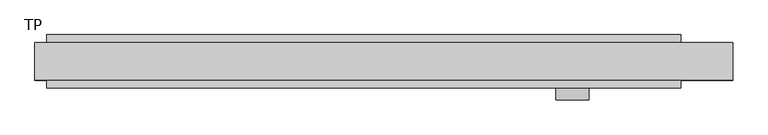
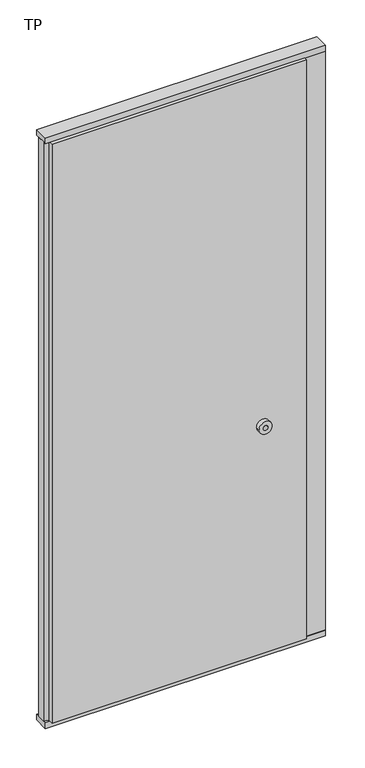
"""IFC4 building model written with IfcOpenShell, lengths in millimetres: plate geometry, TP."""

from ifc_helpers import new_model, si_unit, point, frame, frame_2d, origin, origin_with_axes, place, context, project, spatial, polyline, circle_curve, trimmed, segment, composite_curve, outline, extrude, source, transform, mapped, element, save


def tp_7778a24f(model_context):
    return source(origin(), model_context, "Body", "SweptSolid", [
        extrude(outline(polyline([(502.0507813, 45.0), (502.0507813, 30.5), (590.0, 30.5), (590.0, -30.5), (502.0507813, -30.5), (502.0507813, -45.0), (-570.0, -45.0), (-570.0, -22.9993165), (-590.0, -17.6401049), (-590.0, 17.6401049), (-570.0, 22.9993165), (-570.0, 45.0), (502.0507813, 45.0)])), frame((0.0, 0.0, 25.0), z_axis=(0.0, 0.0, 1.0), x_axis=(1.0, 0.0, 0.0)), (0.0, 0.0, 1.0), 2577.0),
        extrude(outline(polyline([(-590.0, -32.0), (-590.0, 32.0), (590.0, 32.0), (590.0, -32.0), (-590.0, -32.0)])), origin_with_axes(), (0.0, 0.0, 1.0), 25.0),
        extrude(outline(polyline([(-590.0, -32.0), (-590.0, 32.0), (590.0, 32.0), (590.0, -32.0), (-590.0, -32.0)])), frame((0.0, 0.0, 2602.0), z_axis=(0.0, 0.0, 1.0), x_axis=(1.0, 0.0, 0.0)), (0.0, 0.0, 1.0), 25.0),
        extrude(outline(composite_curve([segment(trimmed(circle_curve(frame_2d((1040.0, 318.9738813)), 27.5), [point((1040.0, 346.4738813))], [point((1040.0, 291.4738813))], False, "CARTESIAN"), True, "CONTINUOUS"), segment(trimmed(circle_curve(frame_2d((1040.0, 318.9738813)), 27.5), [point((1040.0, 291.4738813))], [point((1040.0, 346.4738813))], False, "CARTESIAN"), True, "CONTINUOUS")], self_intersect=False), holes=[composite_curve([segment(trimmed(circle_curve(frame_2d((1040.0, 318.9738813)), 10.0), [point((1040.0, 328.9738813))], [point((1040.0, 308.9738813))], True, "CARTESIAN"), True, "CONTINUOUS"), segment(trimmed(circle_curve(frame_2d((1040.0, 318.9738813)), 10.0), [point((1040.0, 308.9738813))], [point((1040.0, 328.9738813))], True, "CARTESIAN"), True, "CONTINUOUS")], self_intersect=False)]), frame((0.0, -65.0, 0.0), z_axis=(0.0, 1.0, 0.0), x_axis=(0.0, 0.0, 1.0)), (0.0, 0.0, 1.0), 20.0),
    ])


if __name__ == "__main__":
    model = new_model("IFC4")
    model_context = context("Model", 3, world=origin())
    ifc_project = project(units=[si_unit("LENGTHUNIT", "METRE", prefix="MILLI")], contexts=[model_context])
    site = spatial("IfcSite", under=ifc_project)
    building = spatial("IfcBuilding", under=site)
    placement = place(None, origin())
    tp_shape = tp_7778a24f(model_context)
    element("IfcPlate", 1, ObjectType="TP", at=placement, inside=building, context=model_context, shape_type="MappedRepresentation", body=[
        mapped(tp_shape, transform((0.0, 0.0, 0.0), x_axis=(1.0, 0.0, 0.0), y_axis=(0.0, 1.0, 0.0), z_axis=(0.0, 0.0, 1.0))),
    ])
    save(model, "model.ifc")
